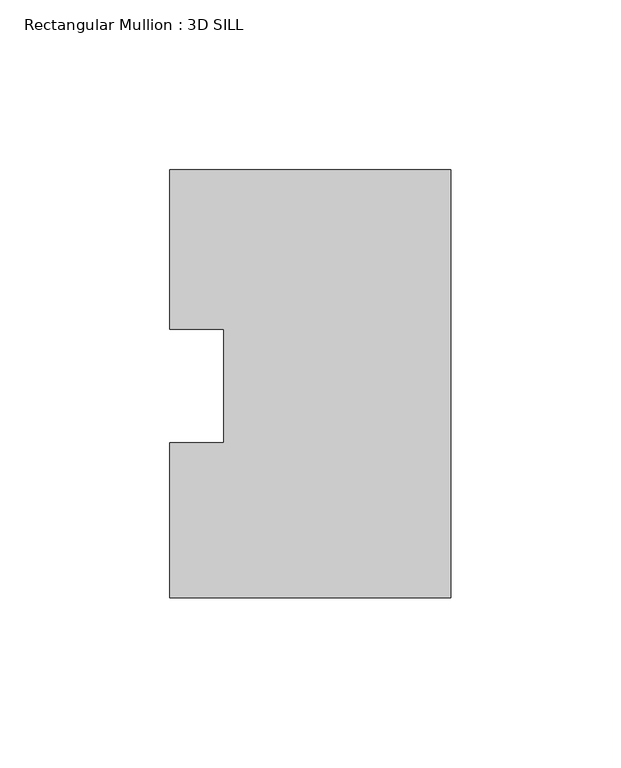
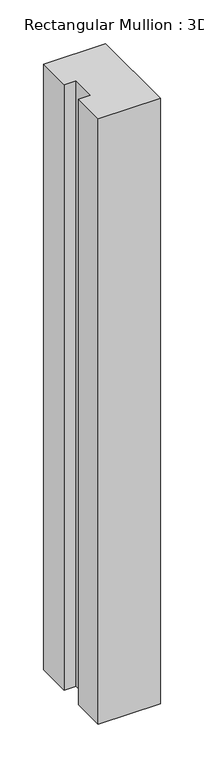
"""IFC4 building model written with IfcOpenShell, lengths in millimetres: member geometry, Rectangular Mullion : 3D SILL."""

from ifc_helpers import new_model, si_unit, frame, origin, place, context, project, spatial, polyline, outline, extrude, source, transform, mapped, element, save


def rectangular_mullion_3d_sill_30287a77(model_context):
    return source(origin(), model_context, "Body", "SweptSolid", [
        extrude(outline(polyline([(-82.5548917, 16.7234075), (-82.5548917, 63.5107262), (0.0, 63.5107262), (0.0, -62.2700738), (-82.5548917, -62.2700738), (-82.5548917, -16.7234075), (-66.6798917, -16.7234075), (-66.6798917, 16.7234075), (-82.5548917, 16.7234075)])), frame((0.0, 0.0, -847.6326836), z_axis=(0.0, 0.0, 1.0), x_axis=(1.0, 0.0, 0.0)), (0.0, 0.0, 1.0), 847.6326836),
    ])


if __name__ == "__main__":
    model = new_model("IFC4")
    model_context = context("Model", 3, world=origin())
    ifc_project = project(units=[si_unit("LENGTHUNIT", "METRE", prefix="MILLI")], contexts=[model_context])
    site = spatial("IfcSite", under=ifc_project)
    building = spatial("IfcBuilding", under=site)
    placement = place(None, origin())
    rectangular_mullion_3d_sill_shape = rectangular_mullion_3d_sill_30287a77(model_context)
    element("IfcMember", 1, ObjectType="Rectangular Mullion : 3D SILL", at=placement, inside=building, context=model_context, shape_type="MappedRepresentation", body=[
        mapped(rectangular_mullion_3d_sill_shape, transform((0.0, 0.0, 0.0), x_axis=(1.0, 0.0, 0.0), y_axis=(0.0, 1.0, 0.0), z_axis=(0.0, 0.0, 1.0))),
    ])
    save(model, "model.ifc")
